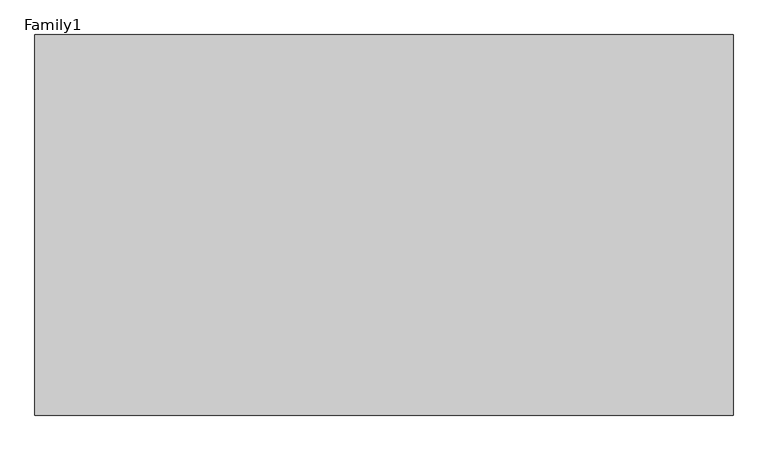
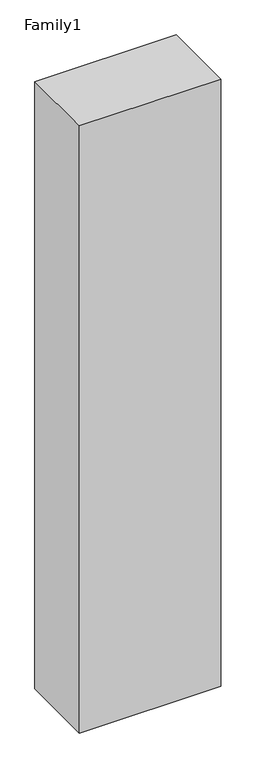
"""IFC4 building model written with IfcOpenShell, lengths in millimetres: proxy geometry, Family1."""

from ifc_helpers import new_model, si_unit, origin, origin_with_axes, place, context, project, spatial, polyline, outline, extrude, source, transform, mapped, element, save


def family1_6fe13b76(model_context):
    return source(origin(), model_context, "Body", "SweptSolid", [
        extrude(outline(polyline([(5500.0, 0.0), (0.0, 0.0), (0.0, 3000.0), (5500.0, 3000.0), (5500.0, 0.0)])), origin_with_axes(), (0.0, 0.0, 1.0), 25000.0),
    ])


if __name__ == "__main__":
    model = new_model("IFC4")
    model_context = context("Model", 3, world=origin())
    ifc_project = project(units=[si_unit("LENGTHUNIT", "METRE", prefix="MILLI")], contexts=[model_context])
    site = spatial("IfcSite", under=ifc_project)
    building = spatial("IfcBuilding", under=site)
    placement = place(None, origin())
    family1_shape = family1_6fe13b76(model_context)
    element("IfcBuildingElementProxy", 1, Name="Family1", ObjectType="Family1", at=placement, inside=building, context=model_context, shape_type="MappedRepresentation", body=[
        mapped(family1_shape, transform((0.0, 0.0, 0.0), x_axis=(1.0, 0.0, 0.0), y_axis=(0.0, 1.0, 0.0), z_axis=(0.0, 0.0, 1.0))),
    ])
    save(model, "model.ifc")
